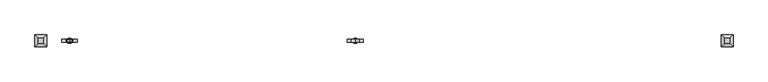
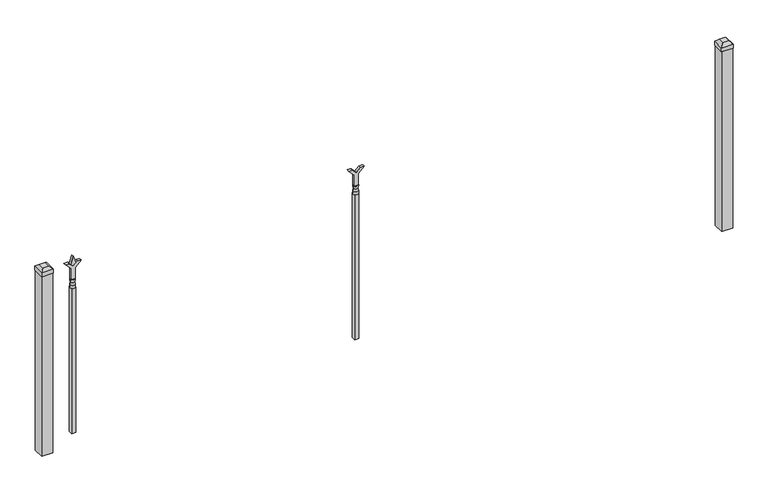
"""IFC4 building model written with IfcOpenShell, lengths in millimetres: railing geometry."""

from ifc_helpers import new_model, si_unit, frame, origin, origin_with_axes, place, context, project, spatial, polyline, circle_curve, outline, extrude, faceted_brep, source, transform, mapped, element, save
from ifc_brep_helpers import plane_surface, cylinder_surface, revolved_surface, advanced_brep


def railing_aacf7772(model_context):
    return source(origin(), model_context, "Body", "SolidModel", [
        extrude(outline(polyline([(803.275, -90348.149337), (857.5457378, -90348.149337), (884.7355122, -90320.9595625), (884.7355122, -90338.9200747), (866.775, -90356.880587), (884.7355122, -90374.8410992), (884.7355122, -90392.8016114), (857.5457378, -90365.611837), (803.275, -90365.611837), (803.275, -90348.149337)])), frame((0.0, 3015.9929826, 0.0), z_axis=(0.0, 1.0, 0.0), x_axis=(0.0, 0.0, 1.0)), (0.0, 0.0, 1.0), 12.7),
        advanced_brep(
        [(-90344.974337, 3022.3429826, 774.7), (-90368.786837, 3022.3429826, 774.7), (-90368.786837, 3022.3429826, 762.0), (-90344.974337, 3022.3429826, 762.0), (-90347.1796688, 3022.3429826, 787.2070585), (-90366.5815051, 3022.3429826, 787.2070585), (-90344.974337, 3022.3429826, 803.275), (-90368.786837, 3022.3429826, 803.275), (-90356.880587, 3022.3429826, 803.275), (-90356.880587, 3022.3429826, 762.0)],
        [
            (0, 1, circle_curve(frame((-90356.880587, 3022.3429826, 774.7), z_axis=(0.0, 0.0, -1.0), x_axis=(-1.0, 0.0, 0.0)), 11.90625)),
            (1, 2),
            (2, 3, circle_curve(frame((-90356.880587, 3022.3429826, 762.0), z_axis=(0.0, 0.0, 1.0), x_axis=(-1.0, 0.0, 0.0)), 11.90625)),
            (3, 0),
            (1, 0, circle_curve(frame((-90356.880587, 3022.3429826, 774.7), z_axis=(0.0, 0.0, -1.0), x_axis=(-1.0, 0.0, 0.0)), 11.90625)),
            (3, 2, circle_curve(frame((-90356.880587, 3022.3429826, 762.0), z_axis=(0.0, 0.0, 1.0), x_axis=(-1.0, 0.0, 0.0)), 11.90625)),
            (4, 5, circle_curve(frame((-90356.880587, 3022.3429826, 787.2070585), z_axis=(0.0, 0.0, -1.0), x_axis=(-1.0, 0.0, 0.0)), 9.7009181)),
            (5, 1),
            (0, 4),
            (5, 4, circle_curve(frame((-90356.880587, 3022.3429826, 787.2070585), z_axis=(0.0, 0.0, -1.0), x_axis=(-1.0, 0.0, 0.0)), 9.7009181)),
            (6, 7, circle_curve(frame((-90356.880587, 3022.3429826, 803.275), z_axis=(0.0, 0.0, -1.0), x_axis=(-1.0, 0.0, 0.0)), 11.90625)),
            (7, 5),
            (4, 6),
            (7, 6, circle_curve(frame((-90356.880587, 3022.3429826, 803.275), z_axis=(0.0, 0.0, -1.0), x_axis=(-1.0, 0.0, 0.0)), 11.90625)),
            (8, 7),
            (6, 8),
            (2, 9),
            (9, 3),
        ],
        [
            cylinder_surface(frame((-90356.880587, 3022.3429826, 762.0), z_axis=(0.0, 0.0, 1.0), x_axis=(-1.0, 0.0, 0.0)), 11.90625),
            revolved_surface(polyline([(-90368.786837, 3022.3429826, 774.7), (-90366.5815051, 3022.3429826, 787.2070585)]), (-90356.880587, 3022.3429826, 762.0), (0.0, 0.0, 1.0)),
            revolved_surface(polyline([(-90366.5815051, 3022.3429826, 787.2070585), (-90368.786837, 3022.3429826, 803.275)]), (-90356.880587, 3022.3429826, 762.0), (0.0, 0.0, 1.0)),
            plane_surface(frame((-90356.880587, 3022.3429826, 803.275), z_axis=(0.0, 0.0, 1.0), x_axis=(-1.0, 0.0, 0.0))),
            plane_surface(frame((-90356.880587, 3022.3429826, 762.0), z_axis=(0.0, 0.0, -1.0), x_axis=(-1.0, 0.0, 0.0))),
        ],
        [
            (0, [[1, 2, 3, 4]]),
            (0, [[5, -4, 6, -2]]),
            (1, [[7, 8, -1, 9]]),
            (1, [[10, -9, -5, -8]]),
            (2, [[11, 12, -7, 13]]),
            (2, [[14, -13, -10, -12]]),
            (3, [[15, -11, 16]]),
            (3, [[-16, -14, -15]]),
            (4, [[-3, 17, 18]]),
            (4, [[-6, -18, -17]]),
        ],
    ),
        extrude(outline(polyline([(-90366.405587, 3031.8679826), (-90347.355587, 3031.8679826), (-90347.355587, 3012.8179826), (-90366.405587, 3012.8179826), (-90366.405587, 3031.8679826)])), frame((0.0, 0.0, 50.8), z_axis=(0.0, 0.0, 1.0), x_axis=(1.0, 0.0, 0.0)), (0.0, 0.0, 1.0), 711.2),
        extrude(outline(polyline([(878.68125, -91656.249337), (914.4, -91668.155587), (878.68125, -91680.061837), (866.775, -91668.155587), (878.68125, -91656.249337)])), frame((0.0, 3017.5804826, 0.0), z_axis=(0.0, 1.0, 0.0), x_axis=(0.0, 0.0, 1.0)), (0.0, 0.0, 1.0), 9.525),
        extrude(outline(polyline([(803.275, -91659.424337), (857.5457378, -91659.424337), (884.7355122, -91632.2345625), (884.7355122, -91650.1950747), (866.775, -91668.155587), (884.7355122, -91686.1160992), (884.7355122, -91704.0766114), (857.5457378, -91676.886837), (803.275, -91676.886837), (803.275, -91659.424337)])), frame((0.0, 3015.9929826, 0.0), z_axis=(0.0, 1.0, 0.0), x_axis=(0.0, 0.0, 1.0)), (0.0, 0.0, 1.0), 12.7),
        advanced_brep(
        [(-91656.249337, 3022.3429826, 774.7), (-91680.061837, 3022.3429826, 774.7), (-91680.061837, 3022.3429826, 762.0), (-91656.249337, 3022.3429826, 762.0), (-91658.4546688, 3022.3429826, 787.2070585), (-91677.8565051, 3022.3429826, 787.2070585), (-91656.249337, 3022.3429826, 803.275), (-91680.061837, 3022.3429826, 803.275), (-91668.155587, 3022.3429826, 803.275), (-91668.155587, 3022.3429826, 762.0)],
        [
            (0, 1, circle_curve(frame((-91668.155587, 3022.3429826, 774.7), z_axis=(0.0, 0.0, -1.0), x_axis=(-1.0, 0.0, 0.0)), 11.90625)),
            (1, 2),
            (2, 3, circle_curve(frame((-91668.155587, 3022.3429826, 762.0), z_axis=(0.0, 0.0, 1.0), x_axis=(-1.0, 0.0, 0.0)), 11.90625)),
            (3, 0),
            (1, 0, circle_curve(frame((-91668.155587, 3022.3429826, 774.7), z_axis=(0.0, 0.0, -1.0), x_axis=(-1.0, 0.0, 0.0)), 11.90625)),
            (3, 2, circle_curve(frame((-91668.155587, 3022.3429826, 762.0), z_axis=(0.0, 0.0, 1.0), x_axis=(-1.0, 0.0, 0.0)), 11.90625)),
            (4, 5, circle_curve(frame((-91668.155587, 3022.3429826, 787.2070585), z_axis=(0.0, 0.0, -1.0), x_axis=(-1.0, 0.0, 0.0)), 9.7009181)),
            (5, 1),
            (0, 4),
            (5, 4, circle_curve(frame((-91668.155587, 3022.3429826, 787.2070585), z_axis=(0.0, 0.0, -1.0), x_axis=(-1.0, 0.0, 0.0)), 9.7009181)),
            (6, 7, circle_curve(frame((-91668.155587, 3022.3429826, 803.275), z_axis=(0.0, 0.0, -1.0), x_axis=(-1.0, 0.0, 0.0)), 11.90625)),
            (7, 5),
            (4, 6),
            (7, 6, circle_curve(frame((-91668.155587, 3022.3429826, 803.275), z_axis=(0.0, 0.0, -1.0), x_axis=(-1.0, 0.0, 0.0)), 11.90625)),
            (8, 7),
            (6, 8),
            (2, 9),
            (9, 3),
        ],
        [
            cylinder_surface(frame((-91668.155587, 3022.3429826, 762.0), z_axis=(0.0, 0.0, 1.0), x_axis=(-1.0, 0.0, 0.0)), 11.90625),
            revolved_surface(polyline([(-91680.061837, 3022.3429826, 774.7), (-91677.8565051, 3022.3429826, 787.2070585)]), (-91668.155587, 3022.3429826, 762.0), (0.0, 0.0, 1.0)),
            revolved_surface(polyline([(-91677.8565051, 3022.3429826, 787.2070585), (-91680.061837, 3022.3429826, 803.275)]), (-91668.155587, 3022.3429826, 762.0), (0.0, 0.0, 1.0)),
            plane_surface(frame((-91668.155587, 3022.3429826, 803.275), z_axis=(0.0, 0.0, 1.0), x_axis=(-1.0, 0.0, 0.0))),
            plane_surface(frame((-91668.155587, 3022.3429826, 762.0), z_axis=(0.0, 0.0, -1.0), x_axis=(-1.0, 0.0, 0.0))),
        ],
        [
            (0, [[1, 2, 3, 4]]),
            (0, [[5, -4, 6, -2]]),
            (1, [[7, 8, -1, 9]]),
            (1, [[10, -9, -5, -8]]),
            (2, [[11, 12, -7, 13]]),
            (2, [[14, -13, -10, -12]]),
            (3, [[15, -11, 16]]),
            (3, [[-16, -14, -15]]),
            (4, [[-3, 17, 18]]),
            (4, [[-6, -18, -17]]),
        ],
    ),
        extrude(outline(polyline([(-91677.680587, 3031.8679826), (-91658.630587, 3031.8679826), (-91658.630587, 3012.8179826), (-91677.680587, 3012.8179826), (-91677.680587, 3031.8679826)])), frame((0.0, 0.0, 50.8), z_axis=(0.0, 0.0, 1.0), x_axis=(1.0, 0.0, 0.0)), (0.0, 0.0, 1.0), 711.2),
        faceted_brep([(-88677.305587, 3049.3304826, 901.7), (-88677.305587, 3049.3304826, 882.65), (-88677.305587, 2995.3554826, 882.65), (-88677.305587, 2995.3554826, 901.7), (-88664.605587, 3036.6304826, 914.4), (-88664.605587, 3008.0554826, 914.4), (-88623.330587, 2995.3554826, 882.65), (-88623.330587, 2995.3554826, 901.7), (-88636.030587, 3008.0554826, 914.4), (-88623.330587, 3049.3304826, 882.65), (-88623.330587, 3049.3304826, 901.7), (-88636.030587, 3036.6304826, 914.4)], [[[0, 1, 2, 3]], [[4, 0, 3, 5]], [[3, 2, 6, 7]], [[5, 3, 7, 8]], [[7, 6, 9, 10]], [[8, 7, 10, 11]], [[10, 9, 1, 0]], [[11, 10, 0, 4]], [[5, 8, 11, 4]], [[1, 9, 6, 2]]]),
        extrude(outline(polyline([(-88624.918087, 3047.7429826), (-88624.918087, 2996.9429826), (-88675.718087, 2996.9429826), (-88675.718087, 3047.7429826), (-88624.918087, 3047.7429826)])), origin_with_axes(), (0.0, 0.0, 1.0), 882.65),
        faceted_brep([(-91826.905587, 3049.3304826, 901.7), (-91826.905587, 3049.3304826, 882.65), (-91826.905587, 2995.3554826, 882.65), (-91826.905587, 2995.3554826, 901.7), (-91814.205587, 3036.6304826, 914.4), (-91814.205587, 3008.0554826, 914.4), (-91772.930587, 2995.3554826, 882.65), (-91772.930587, 2995.3554826, 901.7), (-91785.630587, 3008.0554826, 914.4), (-91772.930587, 3049.3304826, 882.65), (-91772.930587, 3049.3304826, 901.7), (-91785.630587, 3036.6304826, 914.4)], [[[0, 1, 2, 3]], [[4, 0, 3, 5]], [[3, 2, 6, 7]], [[5, 3, 7, 8]], [[7, 6, 9, 10]], [[8, 7, 10, 11]], [[10, 9, 1, 0]], [[11, 10, 0, 4]], [[5, 8, 11, 4]], [[1, 9, 6, 2]]]),
        extrude(outline(polyline([(-91774.518087, 3047.7429826), (-91774.518087, 2996.9429826), (-91825.318087, 2996.9429826), (-91825.318087, 3047.7429826), (-91774.518087, 3047.7429826)])), origin_with_axes(), (0.0, 0.0, 1.0), 882.65),
    ])


if __name__ == "__main__":
    model = new_model("IFC4")
    model_context = context("Model", 3, world=origin())
    ifc_project = project(units=[si_unit("LENGTHUNIT", "METRE", prefix="MILLI")], contexts=[model_context])
    site = spatial("IfcSite", under=ifc_project)
    building = spatial("IfcBuilding", under=site)
    placement = place(None, origin())
    railing_shape = railing_aacf7772(model_context)
    element("IfcRailing", 1, at=placement, inside=building, context=model_context, shape_type="MappedRepresentation", body=[
        mapped(railing_shape, transform((0.0, 0.0, 0.0), x_axis=(1.0, 0.0, 0.0), y_axis=(0.0, 1.0, 0.0), z_axis=(0.0, 0.0, 1.0))),
    ])
    save(model, "model.ifc")
